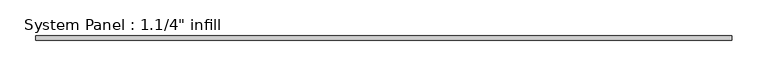
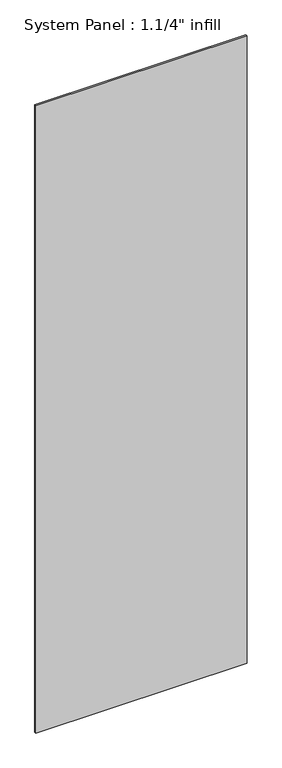
"""IFC4 building model written with IfcOpenShell, lengths in millimetres: plate geometry."""

from ifc_helpers import new_model, si_unit, origin, origin_with_axes, place, context, project, spatial, polyline, outline, extrude, source, transform, mapped, element, save


def plate_0bed690f(model_context):
    return source(origin(), model_context, "Body", "SweptSolid", [
        extrude(outline(polyline([(485.775, -6.35), (-485.775, -6.35), (-485.775, 0.0), (485.775, 0.0), (485.775, -6.35)])), origin_with_axes(), (0.0, 0.0, 1.0), 3048.0),
    ])


if __name__ == "__main__":
    model = new_model("IFC4")
    model_context = context("Model", 3, world=origin())
    ifc_project = project(units=[si_unit("LENGTHUNIT", "METRE", prefix="MILLI")], contexts=[model_context])
    site = spatial("IfcSite", under=ifc_project)
    building = spatial("IfcBuilding", under=site)
    placement = place(None, origin())
    plate_shape = plate_0bed690f(model_context)
    element("IfcPlate", 1, ObjectType="System Panel : 1.1/4\" infill", at=placement, inside=building, context=model_context, shape_type="MappedRepresentation", body=[
        mapped(plate_shape, transform((0.0, 0.0, 0.0), x_axis=(1.0, 0.0, 0.0), y_axis=(0.0, 1.0, 0.0), z_axis=(0.0, 0.0, 1.0))),
    ])
    save(model, "model.ifc")
